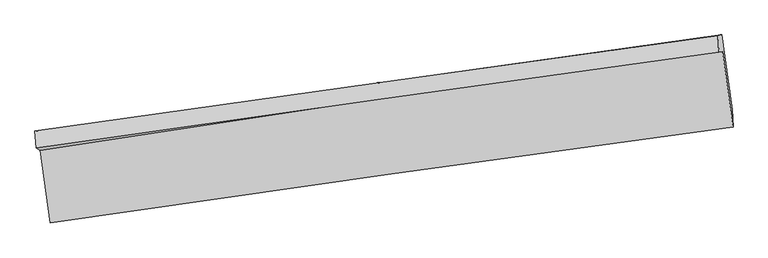
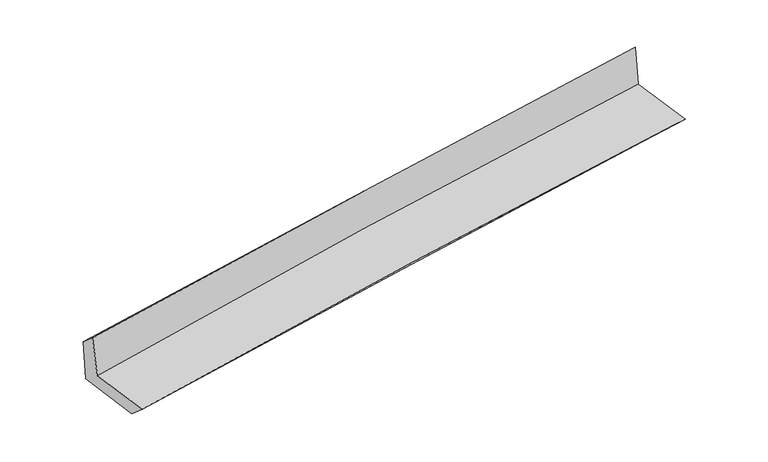
"""IFC4 building model written with IfcOpenShell, lengths in millimetres: proxy geometry."""

from ifc_helpers import new_model, si_unit, frame, origin, place, context, project, spatial, source, transform, mapped, element, save
from ifc_brep_helpers import plane_surface, spline_curve, spline_surface, advanced_brep


def generic_models_68a6f979(model_context):
    return source(origin(), model_context, "Body", "AdvancedBrep", [
        advanced_brep(
        [(-2998.8435802, -1949.8729447, 1646.3991721), (-2910.7338237, -2583.7901541, 1643.8444754), (3049.6157622, -1744.6273736, 2141.1124279), (2958.2352608, -1084.5691665, 2147.3484201), (-3034.7231554, -1930.1602282, 2051.3098694), (2925.7748709, -1089.4611543, 2552.183214), (-3044.7107838, -1781.5158625, 1921.530533), (2917.8623601, -945.6097175, 2406.8910709), (-3012.3634518, -1775.3855064, 1515.9940735), (2949.401359, -939.632554, 2011.4886319), (-2921.600312, -2422.460529, 1503.3137714), (3040.4072969, -1593.0367845, 1998.6366499)],
        [
            (0, 1),
            (1, 2, spline_curve(3, [(-2910.7338237, -2583.7901541, 1643.8444754), (-1919.099174286, -2439.52544309, 1740.761826749), (-926.572823735, -2297.461055234, 1830.660413581), (1060.210466336, -2017.740362488, 1996.415651203), (2054.467310814, -1880.083823125, 2072.273048921), (3049.6157622, -1744.6273736, 2141.1124279)], [4, 2, 4], [0.0, 9.90871164355573, 19.81689650115427])),
            (2, 3),
            (3, 0, spline_curve(3, [(2958.2352608, -1084.5691665, 2147.3484201), (1962.506364165, -1214.261300605, 2074.429132319), (968.231836702, -1351.213906065, 1996.22496812), (-1017.46126512, -1639.647726875, 1829.242447639), (-2008.879684566, -1791.129714075, 1740.463529244), (-2998.8435802, -1949.8729447, 1646.3991721)], [4, 2, 4], [0.0, 9.908184857598542, 19.81689650115427])),
            (4, 0),
            (3, 5),
            (5, 4, spline_curve(3, [(2925.7748709, -1089.4611543, 2552.183214), (1931.289701864, -1227.954065416, 2478.947904478), (937.35213786, -1367.256893632, 2400.592049769), (-1049.480595573, -1647.489831907, 2233.634812862), (-2042.375707036, -1788.42002871, 2145.032885945), (-3034.7231554, -1930.1602282, 2051.3098694)], [4, 2, 4], [0.0, 9.90864362391977, 19.817814058187842])),
            (6, 4),
            (5, 7),
            (7, 6, spline_curve(3, [(2917.8623601, -945.6097175, 2406.8910709), (1923.803630437, -1084.847496519, 2329.404824204), (929.906374515, -1224.12337879, 2250.216109641), (-1057.618024014, -1502.758756481, 2088.429444638), (-2051.245149281, -1642.118255812, 2005.831313012), (-3044.7107838, -1781.5158625, 1921.530533)], [4, 2, 4], [0.0, 9.908515302004322, 19.817557407534487])),
            (8, 6),
            (7, 9),
            (9, 8, spline_curve(3, [(2949.401359, -939.632554, 2011.4886319), (1955.737922191, -1078.795418651, 1929.046625389), (962.105675244, -1218.021077194, 1846.535508342), (-1025.14926498, -1496.60538792, 1681.370662736), (-2018.771955004, -1635.964046712, 1598.71692688), (-3012.3634518, -1775.3855064, 1515.9940735)], [4, 2, 4], [0.0, 9.908554406765333, 19.817635619135583])),
            (10, 8),
            (9, 11),
            (11, 10, spline_curve(3, [(3040.4072969, -1593.0367845, 1998.6366499), (2046.145795403, -1727.103064274, 1916.303969826), (1052.194275844, -1863.252956875, 1833.86182348), (-935.141626532, -2139.727316551, 1668.754208719), (-1928.525977111, -2280.052005588, 1586.088729287), (-2921.600312, -2422.460529, 1503.3137714)], [4, 2, 4], [0.0, 9.90803097011823, 19.81658871801195])),
            (1, 10),
            (11, 2),
        ],
        [
            spline_surface(3, 3, [[(-2998.8435802, -1949.8729447, 1646.3991721), (-2008.879684533, -1791.129714091, 1740.463529103), (-1017.461265024, -1639.647726823, 1829.242447542), (968.231836606, -1351.213906118, 1996.224968217), (1962.506364141, -1214.261300699, 2074.429132479), (2958.2352608, -1084.5691665, 2147.3484201)], [(-2969.473661386, -2161.178681145, 1645.547606525), (-1978.952847851, -2007.261623704, 1740.562961638), (-987.165117951, -1858.918836308, 1829.715102848), (998.891379843, -1573.389391551, 1996.288529263), (1993.160013099, -1436.202141576, 2073.710437924), (2988.695427949, -1304.588568892, 2145.269756038)], [(-2940.103742514, -2372.484417655, 1644.696040975), (-1949.02601111, -2223.393533381, 1740.662394198), (-956.868970834, -2078.189945806, 1830.187758139), (1029.550923125, -1795.564876997, 1996.352090293), (2023.813662011, -1658.142982377, 2072.991743354), (3019.155595051, -1524.607971208, 2143.191091962)], [(-2910.7338237, -2583.7901541, 1643.8444754), (-1919.099174428, -2439.525442994, 1740.761826733), (-926.572823761, -2297.461055291, 1830.660413445), (1060.210466363, -2017.740362431, 1996.415651338), (2054.467310969, -1880.083823254, 2072.2730488), (3049.6157622, -1744.6273736, 2141.1124279)]], [4, 4], [4, 2, 4], [0.0, 2.193087220048978], [0.0, 9.90871164355573, 19.81689650115427]),
            spline_surface(3, 3, [[(-3034.7231554, -1930.1602282, 2051.3098694), (-2042.375707088, -1788.420028725, 2145.032885792), (-1049.480595696, -1647.489832021, 2233.634812791), (937.352137983, -1367.256893518, 2400.59204984), (1931.289701993, -1227.954065576, 2478.947904343), (2925.7748709, -1089.4611543, 2552.183214)], [(-3022.763296976, -1936.731133709, 1916.339636978), (-2031.210366212, -1789.32325719, 2010.176433573), (-1038.807485456, -1644.875796946, 2098.8373577), (947.645370874, -1361.909231042, 2265.803022624), (1941.695256029, -1223.389810597, 2344.1083137), (2936.595000853, -1087.83049168, 2417.238282679)], [(-3010.803438624, -1943.302039191, 1781.369404522), (-2020.045025409, -1790.226485626, 1875.319981321), (-1028.134375264, -1642.261761898, 1964.039902634), (957.938603716, -1356.561568593, 2131.013995434), (1952.100810105, -1218.825555679, 2209.268723122), (2947.415130847, -1086.19982912, 2282.293351421)], [(-2998.8435802, -1949.8729447, 1646.3991721), (-2008.879684533, -1791.129714091, 1740.463529103), (-1017.461265024, -1639.647726823, 1829.242447542), (968.231836606, -1351.213906118, 1996.224968217), (1962.506364141, -1214.261300699, 2074.429132479), (2958.2352608, -1084.5691665, 2147.3484201)]], [4, 4], [4, 2, 4], [0.0, 1.3312880790432704], [0.0, 9.909170434268072, 19.817814058187842]),
            spline_surface(3, 3, [[(-3044.7107838, -1781.5158625, 1921.530533), (-2051.245149329, -1642.118255882, 2005.83131314), (-1057.61802397, -1502.758756436, 2088.429444687), (929.906374471, -1224.123378836, 2250.216109592), (1923.803630471, -1084.847496586, 2329.404824067), (2917.8623601, -945.6097175, 2406.8910709)], [(-3041.381574358, -1831.063984407, 1964.790311779), (-2048.288668607, -1690.885513504, 2052.231837336), (-1054.905547871, -1551.0024483, 2136.831234058), (932.38829565, -1271.834550399, 2300.341423011), (1926.298987664, -1132.549686248, 2379.252517515), (2920.49986372, -993.560196432, 2455.321785289)], [(-3038.052364842, -1880.612106293, 2008.050090621), (-2045.33218781, -1739.652771104, 2098.632361595), (-1052.193071796, -1599.246140157, 2185.23302342), (934.870216804, -1319.545721954, 2350.466736421), (1928.794344799, -1180.251875914, 2429.100210895), (2923.13736728, -1041.510675368, 2503.752499611)], [(-3034.7231554, -1930.1602282, 2051.3098694), (-2042.375707088, -1788.420028725, 2145.032885792), (-1049.480595696, -1647.489832021, 2233.634812791), (937.352137983, -1367.256893518, 2400.59204984), (1931.289701993, -1227.954065576, 2478.947904343), (2925.7748709, -1089.4611543, 2552.183214)]], [4, 4], [4, 2, 4], [0.0, 0.677310813905805], [0.0, 9.909042105530165, 19.817557407534487]),
            spline_surface(3, 3, [[(-3012.3634518, -1775.3855064, 1515.9940735), (-2018.771955115, -1635.964046805, 1598.716927008), (-1025.149264986, -1496.605387957, 1681.370662824), (962.10567525, -1218.021077157, 1846.535508254), (1955.737922083, -1078.795418559, 1929.046625281), (2949.401359, -939.632554, 2011.4886319)], [(-3023.1458958, -1777.428958422, 1651.172893336), (-2029.596353186, -1638.015449819, 1734.421722388), (-1035.972184645, -1498.656510787, 1817.056923449), (951.372574993, -1220.055177721, 1981.095708703), (1945.093158198, -1080.812777915, 2062.499358205), (2938.888359353, -941.624941847, 2143.289444896)], [(-3033.9283398, -1779.472410478, 1786.351713164), (-2040.420751258, -1640.066852868, 1870.12651776), (-1046.795104311, -1500.707633605, 1952.743184063), (940.639474728, -1222.089278272, 2115.655909142), (1934.448394355, -1082.830137231, 2195.952091143), (2928.375359747, -943.617329653, 2275.090257904)], [(-3044.7107838, -1781.5158625, 1921.530533), (-2051.245149329, -1642.118255882, 2005.83131314), (-1057.61802397, -1502.758756436, 2088.429444687), (929.906374471, -1224.123378836, 2250.216109592), (1923.803630471, -1084.847496586, 2329.404824067), (2917.8623601, -945.6097175, 2406.8910709)]], [4, 4], [4, 2, 4], [0.0, 1.334328919396257], [0.0, 9.90908121237025, 19.817635619135583]),
            spline_surface(3, 3, [[(-2921.600312, -2422.460529, 1503.3137714), (-1928.525976982, -2280.052005696, 1586.088729129), (-935.141626643, -2139.727316683, 1668.754208834), (1052.194275955, -1863.252956743, 1833.861823366), (2046.145795245, -1727.103064263, 1916.303969816), (3040.4072969, -1593.0367845, 1998.6366499)], [(-2951.854691905, -2206.768854806, 1507.540538783), (-1958.607969664, -2065.356019404, 1590.298128438), (-965.144172758, -1925.35334043, 1672.959693475), (1022.164742386, -1648.175663537, 1838.086384973), (2016.009837536, -1511.000515693, 1920.551521627), (3010.071984278, -1375.235374331, 2002.92064389)], [(-2982.109071895, -1991.077180594, 1511.767306117), (-1988.689962432, -1850.660033096, 1594.507527698), (-995.146718871, -1710.979364209, 1677.165178183), (992.135208818, -1433.098370363, 1842.310946647), (1985.873879792, -1294.897967129, 1924.799073469), (2979.736671622, -1157.433964169, 2007.20463791)], [(-3012.3634518, -1775.3855064, 1515.9940735), (-2018.771955115, -1635.964046805, 1598.716927008), (-1025.149264986, -1496.605387957, 1681.370662824), (962.10567525, -1218.021077157, 1846.535508254), (1955.737922083, -1078.795418559, 1929.046625281), (2949.401359, -939.632554, 2011.4886319)]], [4, 4], [4, 2, 4], [0.0, 2.1343934375948197], [0.0, 9.90855774789372, 19.81658871801195]),
            spline_surface(3, 3, [[(-2910.7338237, -2583.7901541, 1643.8444754), (-1919.099174428, -2439.525442994, 1740.761826733), (-926.572823761, -2297.461055291, 1830.660413445), (1060.210466363, -2017.740362431, 1996.415651338), (2054.467310969, -1880.083823254, 2072.2730488), (3049.6157622, -1744.6273736, 2141.1124279)], [(-2914.355986476, -2530.013612411, 1597.000907399), (-1922.241441955, -2386.367630572, 1689.20412753), (-929.4290914, -2244.883142438, 1776.691678594), (1057.538402882, -1966.244560551, 1942.231042034), (2051.693472375, -1829.090236908, 2020.283355813), (3046.546273747, -1694.097177218, 2093.620501909)], [(-2917.978149224, -2476.237070689, 1550.157339401), (-1925.383709454, -2333.209818117, 1637.646428331), (-932.285359004, -2192.305229536, 1722.722943685), (1054.866339436, -1914.748758622, 1888.04643267), (2048.919633839, -1778.096650608, 1968.293662802), (3043.476785353, -1643.566980882, 2046.128575891)], [(-2921.600312, -2422.460529, 1503.3137714), (-1928.525976982, -2280.052005696, 1586.088729129), (-935.141626643, -2139.727316683, 1668.754208834), (1052.194275955, -1863.252956743, 1833.861823366), (2046.145795245, -1727.103064263, 1916.303969816), (3040.4072969, -1593.0367845, 1998.6366499)]], [4, 4], [4, 2, 4], [0.0, 0.739157107829232], [0.0, 9.907997518754403, 19.81546828951729]),
            plane_surface(frame((2973.549485, -1232.8227917, 2209.6100691), z_axis=(0.9874157646856938, 0.13593737983097112, 0.08081544663526194), x_axis=(-0.07950273514650698, -0.015067087282242488, 0.9967207723254561))),
            plane_surface(frame((-2987.1625178, -2073.8642042, 1713.7319825), z_axis=(-0.987282553799798, -0.13689919617342358, -0.08081936061130153), x_axis=(-0.13766798490113424, 0.9904703897481737, 0.003991611875189967))),
        ],
        [
            (0, [[1, 2, 3, 4]]),
            (1, [[5, -4, 6, 7]]),
            (2, [[8, -7, 9, 10]]),
            (3, [[11, -10, 12, 13]]),
            (4, [[14, -13, 15, 16]]),
            (5, [[17, -16, 18, -2]]),
            (6, [[-12, -9, -6, -3, -18, -15]]),
            (7, [[-1, -5, -8, -11, -14, -17]]),
        ],
    ),
    ])


if __name__ == "__main__":
    model = new_model("IFC4")
    model_context = context("Model", 3, world=origin())
    ifc_project = project(units=[si_unit("LENGTHUNIT", "METRE", prefix="MILLI")], contexts=[model_context])
    site = spatial("IfcSite", under=ifc_project)
    building = spatial("IfcBuilding", under=site)
    placement = place(None, origin())
    generic_models_shape = generic_models_68a6f979(model_context)
    element("IfcBuildingElementProxy", 1, Name="Generic Models", at=placement, inside=building, context=model_context, shape_type="MappedRepresentation", body=[
        mapped(generic_models_shape, transform((0.0, 0.0, 0.0), x_axis=(1.0, 0.0, 0.0), y_axis=(0.0, 1.0, 0.0), z_axis=(0.0, 0.0, 1.0))),
    ])
    save(model, "model.ifc")
